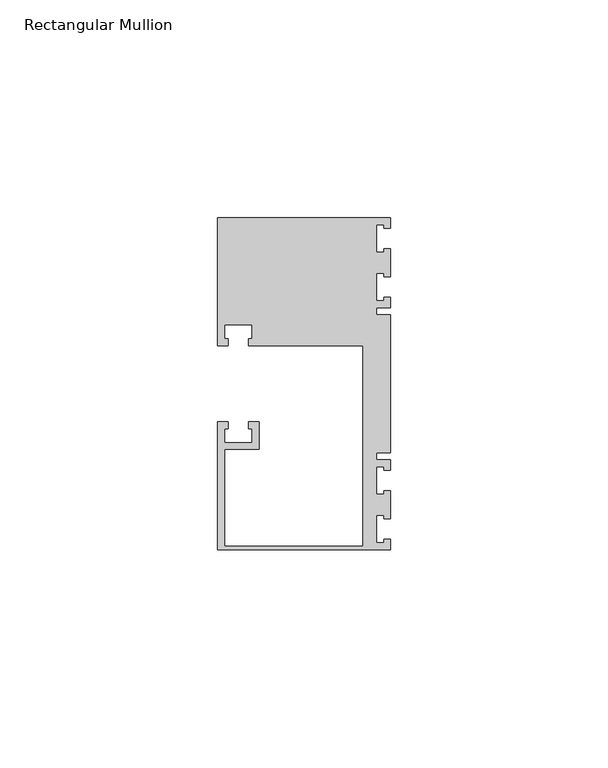
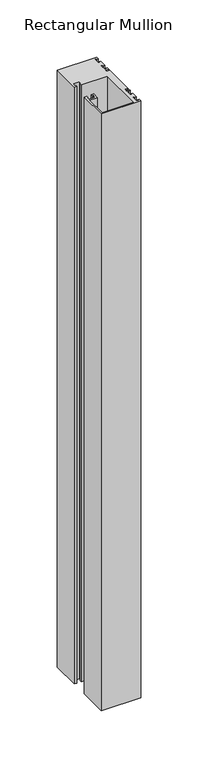
"""IFC4 building model written with IfcOpenShell, lengths in millimetres: member geometry, Rectangular Mullion."""

from ifc_helpers import new_model, si_unit, frame, origin, place, context, project, spatial, polyline, outline, extrude, source, transform, mapped, element, save


def rectangular_mullion_c0f31834(model_context):
    return source(origin(), model_context, "Body", "SweptSolid", [
        extrude(outline(polyline([(0.0, -38.1), (-39.6875, -38.1), (-39.6875, -8.73125), (-37.30625, -8.73125), (-37.30625, -10.31875), (-38.1, -10.31875), (-38.1, -13.49375), (-31.75, -13.49375), (-31.75, -10.31875), (-32.54375, -10.31875), (-32.54375, -8.73125), (-30.1625, -8.73125), (-30.1625, -15.08125), (-38.1, -15.08125), (-38.1, -37.30625), (-6.35, -37.30625), (-6.35, 8.73125), (-32.54375, 8.73125), (-32.54375, 10.31875), (-31.75, 10.31875), (-31.75, 13.49375), (-38.1, 13.49375), (-38.1, 10.31875), (-37.30625, 10.31875), (-37.30625, 8.73125), (-39.6875, 8.73125), (-39.6875, 38.1), (0.0, 38.1), (0.0, 35.71875), (-1.4999946, 35.71875), (-1.4999946, 36.5125), (-3.175, 36.5125), (-3.175, 30.1625), (-1.4999946, 30.1625), (-1.4999946, 30.95625), (0.0, 30.95625), (0.0, 24.60625), (-1.4999946, 24.60625), (-1.4999946, 25.4), (-3.175, 25.4), (-3.175, 19.05), (-1.4999946, 19.05), (-1.4999946, 19.84375), (0.0, 19.84375), (0.0, 17.4625), (-3.175, 17.4625), (-3.175, 15.875), (0.0, 15.875), (0.0, -15.875), (-3.175, -15.875), (-3.175, -17.4625), (0.0, -17.4625), (0.0, -19.84375), (-1.4999946, -19.84375), (-1.4999946, -19.05), (-3.175, -19.05), (-3.175, -25.4), (-1.4999946, -25.4), (-1.4999946, -24.60625), (0.0, -24.60625), (0.0, -30.95625), (-1.4999946, -30.95625), (-1.4999946, -30.1625), (-3.175, -30.1625), (-3.175, -36.5125), (-1.4999946, -36.5125), (-1.4999946, -35.71875), (0.0, -35.71875), (0.0, -38.1)])), frame((0.0, 0.0, -635.0), z_axis=(0.0, 0.0, 1.0), x_axis=(1.0, 0.0, 0.0)), (0.0, 0.0, 1.0), 635.0),
    ])


if __name__ == "__main__":
    model = new_model("IFC4")
    model_context = context("Model", 3, world=origin())
    ifc_project = project(units=[si_unit("LENGTHUNIT", "METRE", prefix="MILLI")], contexts=[model_context])
    site = spatial("IfcSite", under=ifc_project)
    building = spatial("IfcBuilding", under=site)
    placement = place(None, origin())
    rectangular_mullion_shape = rectangular_mullion_c0f31834(model_context)
    element("IfcMember", 1, ObjectType="Rectangular Mullion", at=placement, inside=building, context=model_context, shape_type="MappedRepresentation", body=[
        mapped(rectangular_mullion_shape, transform((0.0, 0.0, 0.0), x_axis=(1.0, 0.0, 0.0), y_axis=(0.0, 1.0, 0.0), z_axis=(0.0, 0.0, 1.0))),
    ])
    save(model, "model.ifc")
